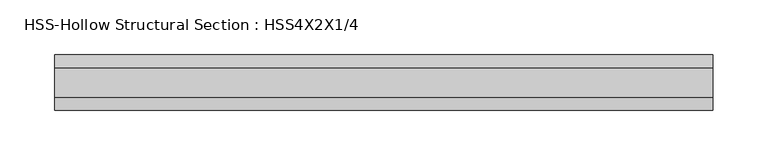
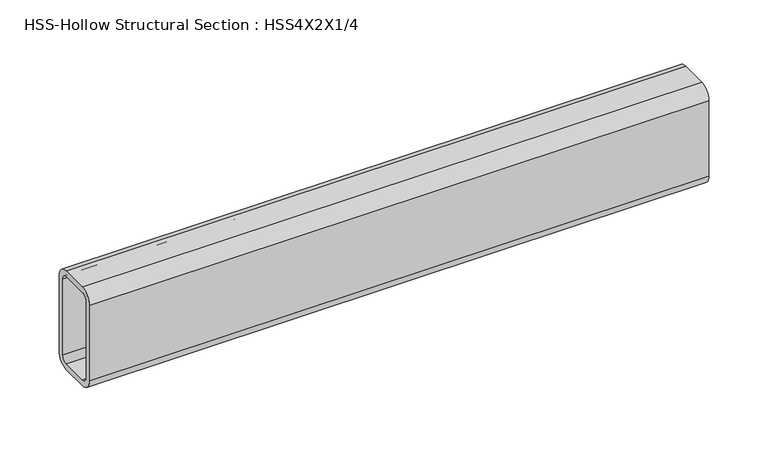
"""IFC4 building model written with IfcOpenShell, lengths in millimetres: beam geometry, HSS-Hollow Structural Section : HSS4X2X1/4."""

from ifc_helpers import new_model, si_unit, point, frame, frame_2d, origin, place, context, project, spatial, polyline, circle_curve, trimmed, segment, composite_curve, outline, extrude, source, transform, mapped, element, save


def hss_hollow_structural_section_hss4x2x1_4_1079f925(model_context):
    return source(origin(), model_context, "Body", "SweptSolid", [
        extrude(outline(composite_curve([segment(polyline([(25.4, 38.9636), (25.4, -38.9636)]), True, "CONTINUOUS"), segment(trimmed(circle_curve(frame_2d((13.5636, -38.9636)), 11.8364), [point((25.4, -38.9636))], [point((13.5636, -50.8))], False, "CARTESIAN"), True, "CONTINUOUS"), segment(polyline([(13.5636, -50.8), (-13.5636, -50.8)]), True, "CONTINUOUS"), segment(trimmed(circle_curve(frame_2d((-13.5636, -38.9636)), 11.8364), [point((-13.5636, -50.8))], [point((-25.4, -38.9636))], False, "CARTESIAN"), True, "CONTINUOUS"), segment(polyline([(-25.4, -38.9636), (-25.4, 38.9636)]), True, "CONTINUOUS"), segment(trimmed(circle_curve(frame_2d((-13.5636, 38.9636)), 11.8364), [point((-25.4, 38.9636))], [point((-13.5636, 50.8))], False, "CARTESIAN"), True, "CONTINUOUS"), segment(polyline([(-13.5636, 50.8), (13.5636, 50.8)]), True, "CONTINUOUS"), segment(trimmed(circle_curve(frame_2d((13.5636, 38.9636)), 11.8364), [point((13.5636, 50.8))], [point((25.4, 38.9636))], False, "CARTESIAN"), True, "CONTINUOUS")], self_intersect=False), holes=[composite_curve([segment(trimmed(circle_curve(frame_2d((-13.5636, 38.9636)), 5.9182), [point((-13.5636, 44.8818))], [point((-19.4818, 38.9636))], True, "CARTESIAN"), True, "CONTINUOUS"), segment(polyline([(-19.4818, 38.9636), (-19.4818, -38.9636)]), True, "CONTINUOUS"), segment(trimmed(circle_curve(frame_2d((-13.5636, -38.9636)), 5.9182), [point((-19.4818, -38.9636))], [point((-13.5636, -44.8818))], True, "CARTESIAN"), True, "CONTINUOUS"), segment(polyline([(-13.5636, -44.8818), (13.5636, -44.8818)]), True, "CONTINUOUS"), segment(trimmed(circle_curve(frame_2d((13.5636, -38.9636)), 5.9182), [point((13.5636, -44.8818))], [point((19.4818, -38.9636))], True, "CARTESIAN"), True, "CONTINUOUS"), segment(polyline([(19.4818, -38.9636), (19.4818, 38.9636)]), True, "CONTINUOUS"), segment(trimmed(circle_curve(frame_2d((13.5636, 38.9636)), 5.9182), [point((19.4818, 38.9636))], [point((13.5636, 44.8818))], True, "CARTESIAN"), True, "CONTINUOUS"), segment(polyline([(13.5636, 44.8818), (-13.5636, 44.8818)]), True, "CONTINUOUS")], self_intersect=False)]), frame((-288.9250006, 0.0, 0.0), z_axis=(1.0, 0.0, 0.0), x_axis=(0.0, 1.0, 0.0)), (0.0, 0.0, 1.0), 603.2500006),
    ])


if __name__ == "__main__":
    model = new_model("IFC4")
    model_context = context("Model", 3, world=origin())
    ifc_project = project(units=[si_unit("LENGTHUNIT", "METRE", prefix="MILLI")], contexts=[model_context])
    site = spatial("IfcSite", under=ifc_project)
    building = spatial("IfcBuilding", under=site)
    placement = place(None, origin())
    hss_hollow_structural_section_hss4x2x1_4_shape = hss_hollow_structural_section_hss4x2x1_4_1079f925(model_context)
    element("IfcBeam", 1, ObjectType="HSS-Hollow Structural Section : HSS4X2X1/4", at=placement, inside=building, context=model_context, shape_type="MappedRepresentation", body=[
        mapped(hss_hollow_structural_section_hss4x2x1_4_shape, transform((0.0, 0.0, 0.0), x_axis=(1.0, 0.0, 0.0), y_axis=(0.0, 1.0, 0.0), z_axis=(0.0, 0.0, 1.0))),
    ])
    save(model, "model.ifc")
